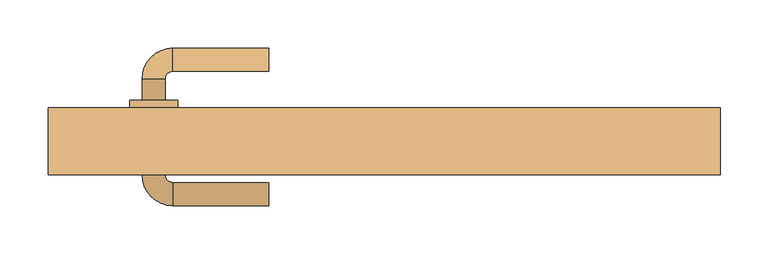
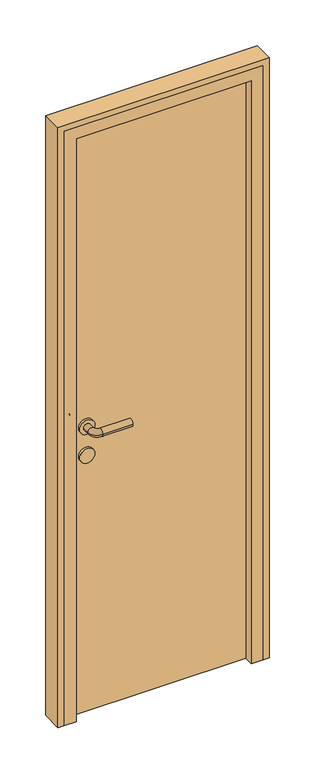
"""IFC4 building model written with IfcOpenShell, lengths in millimetres: door geometry."""

from ifc_helpers import new_model, si_unit, point, frame, frame_2d, origin, origin_with_axes, place, context, project, spatial, polyline, circle_curve, ellipse_curve, trimmed, segment, composite_curve, outline, extrude, faceted_brep, source, transform, mapped, element, save
from ifc_brep_helpers import plane_surface, cylinder_surface, revolved_surface, advanced_brep


def door_a8712913(model_context):
    return source(origin(), model_context, "Body", "SolidModel", [
        advanced_brep(
        [(-120.0, 17.0, 1000.0), (-120.0, -7.0, 1000.0), (-220.0, 17.0, 1000.0), (-220.0, -7.0, 1000.0), (-252.0, -15.0, 1000.0), (-228.0, -15.0, 1000.0), (-252.0, -37.0, 1000.0), (-228.0, -37.0, 1000.0), (-252.0, -115.0, 1000.0), (-228.0, -115.0, 1000.0), (-228.0, -93.0, 1000.0), (-252.0, -93.0, 1000.0), (-220.0, -147.0, 1000.0), (-220.0, -123.0, 1000.0), (-120.0, -147.0, 1000.0), (-120.0, -123.0, 1000.0), (-265.0, -37.0, 1000.0), (-215.0, -37.0, 1000.0), (-265.0, -93.0, 1000.0), (-215.0, -93.0, 1000.0)],
        [
            (0, 1, circle_curve(frame((-120.0, 5.0, 1000.0), z_axis=(1.0, 0.0, 0.0), x_axis=(0.0, -1.0, 0.0)), 12.0)),
            (1, 0, circle_curve(frame((-120.0, 5.0, 1000.0), z_axis=(1.0, 0.0, 0.0), x_axis=(0.0, -1.0, 0.0)), 12.0)),
            (0, 2),
            (2, 3, circle_curve(frame((-220.0, 5.0, 1000.0), z_axis=(1.0, 0.0, 0.0), x_axis=(0.0, -1.0, 0.0)), 12.0)),
            (3, 1),
            (3, 2, circle_curve(frame((-220.0, 5.0, 1000.0), z_axis=(1.0, 0.0, 0.0), x_axis=(0.0, -1.0, 0.0)), 12.0)),
            (2, 4, circle_curve(frame((-220.0, -15.0, 1000.0), z_axis=(0.0, 0.0, 1.0), x_axis=(0.0, 1.0, 0.0)), 32.0)),
            (4, 5, circle_curve(frame((-240.0, -15.0, 1000.0), z_axis=(0.0, 1.0, 0.0), x_axis=(1.0, 0.0, 0.0)), 12.0)),
            (5, 3, circle_curve(frame((-220.0, -15.0, 1000.0), z_axis=(0.0, 0.0, -1.0), x_axis=(0.0, 1.0, 0.0)), 8.0)),
            (5, 4, circle_curve(frame((-240.0, -15.0, 1000.0), z_axis=(0.0, 1.0, 0.0), x_axis=(1.0, 0.0, 0.0)), 12.0)),
            (4, 6),
            (6, 7, circle_curve(frame((-240.0, -37.0, 1000.0), z_axis=(0.0, 1.0, 0.0), x_axis=(1.0, 0.0, 0.0)), 12.0)),
            (7, 5),
            (8, 9, circle_curve(frame((-240.0, -115.0, 1000.0), z_axis=(0.0, 1.0, 0.0), x_axis=(1.0, 0.0, 0.0)), 12.0)),
            (9, 10),
            (10, 11, circle_curve(frame((-240.0, -93.0, 1000.0), z_axis=(0.0, -1.0, 0.0), x_axis=(1.0, 0.0, 0.0)), 12.0)),
            (11, 8),
            (7, 6, circle_curve(frame((-240.0, -37.0, 1000.0), z_axis=(0.0, 1.0, 0.0), x_axis=(1.0, 0.0, 0.0)), 12.0)),
            (9, 8, circle_curve(frame((-240.0, -115.0, 1000.0), z_axis=(0.0, 1.0, 0.0), x_axis=(1.0, 0.0, 0.0)), 12.0)),
            (11, 10, circle_curve(frame((-240.0, -93.0, 1000.0), z_axis=(0.0, -1.0, 0.0), x_axis=(1.0, 0.0, 0.0)), 12.0)),
            (8, 12, circle_curve(frame((-220.0, -115.0, 1000.0), z_axis=(0.0, 0.0, 1.0), x_axis=(-1.0, 0.0, 0.0)), 32.0)),
            (12, 13, circle_curve(frame((-220.0, -135.0, 1000.0), z_axis=(-1.0, 0.0, 0.0), x_axis=(0.0, 1.0, 0.0)), 12.0)),
            (13, 9, circle_curve(frame((-220.0, -115.0, 1000.0), z_axis=(0.0, 0.0, -1.0), x_axis=(-1.0, 0.0, 0.0)), 8.0)),
            (13, 12, circle_curve(frame((-220.0, -135.0, 1000.0), z_axis=(-1.0, 0.0, 0.0), x_axis=(0.0, 1.0, 0.0)), 12.0)),
            (14, 15, circle_curve(frame((-120.0, -135.0, 1000.0), z_axis=(1.0, 0.0, 0.0), x_axis=(0.0, 1.0, 0.0)), 12.0)),
            (15, 14, circle_curve(frame((-120.0, -135.0, 1000.0), z_axis=(1.0, 0.0, 0.0), x_axis=(0.0, 1.0, 0.0)), 12.0)),
            (12, 14),
            (15, 13),
            (16, 17, circle_curve(frame((-240.0, -37.0, 1000.0), z_axis=(0.0, 1.0, 0.0), x_axis=(1.0, 0.0, 0.0)), 25.0)),
            (17, 16, circle_curve(frame((-240.0, -37.0, 1000.0), z_axis=(0.0, 1.0, 0.0), x_axis=(1.0, 0.0, 0.0)), 25.0)),
            (18, 19, circle_curve(frame((-240.0, -93.0, 1000.0), z_axis=(0.0, -1.0, 0.0), x_axis=(1.0, 0.0, 0.0)), 25.0)),
            (19, 18, circle_curve(frame((-240.0, -93.0, 1000.0), z_axis=(0.0, -1.0, 0.0), x_axis=(1.0, 0.0, 0.0)), 25.0)),
            (17, 19),
            (18, 16),
        ],
        [
            plane_surface(frame((-120.0, 5.0, 1000.0), z_axis=(1.0, 0.0, 0.0), x_axis=(0.0, 0.0, 1.0))),
            cylinder_surface(frame((-120.0, 5.0, 1000.0), z_axis=(1.0, 0.0, 0.0), x_axis=(0.0, -1.0, 0.0)), 12.0),
            revolved_surface(trimmed(ellipse_curve(frame((-220.0, 5.0, 1000.0), z_axis=(1.0, 0.0, 0.0), x_axis=(0.0, -1.0, 0.0)), 12.0, 12.0), [point((-220.0, 17.0, 1000.0))], [point((-220.0, -7.0, 1000.0))], True, "CARTESIAN"), (-220.0, -15.0, 1000.0), (0.0, 0.0, 1.0)),
            revolved_surface(trimmed(ellipse_curve(frame((-220.0, 5.0, 1000.0), z_axis=(1.0, 0.0, 0.0), x_axis=(0.0, -1.0, 0.0)), 12.0, 12.0), [point((-220.0, -7.0, 1000.0))], [point((-220.0, 17.0, 1000.0))], True, "CARTESIAN"), (-220.0, -15.0, 1000.0), (0.0, 0.0, 1.0)),
            cylinder_surface(frame((-240.0, -15.0, 1000.0), z_axis=(0.0, 1.0, 0.0), x_axis=(1.0, 0.0, 0.0)), 12.0),
            revolved_surface(trimmed(ellipse_curve(frame((-240.0, -115.0, 1000.0), z_axis=(0.0, 1.0, 0.0), x_axis=(1.0, 0.0, 0.0)), 12.0, 12.0), [point((-252.0, -115.0, 1000.0))], [point((-228.0, -115.0, 1000.0))], True, "CARTESIAN"), (-220.0, -115.0, 1000.0), (0.0, 0.0, 1.0)),
            revolved_surface(trimmed(ellipse_curve(frame((-240.0, -115.0, 1000.0), z_axis=(0.0, 1.0, 0.0), x_axis=(1.0, 0.0, 0.0)), 12.0, 12.0), [point((-228.0, -115.0, 1000.0))], [point((-252.0, -115.0, 1000.0))], True, "CARTESIAN"), (-220.0, -115.0, 1000.0), (0.0, 0.0, 1.0)),
            plane_surface(frame((-120.0, -135.0, 1000.0), z_axis=(1.0, 0.0, 0.0), x_axis=(0.0, 0.0, 1.0))),
            cylinder_surface(frame((-220.0, -135.0, 1000.0), z_axis=(-1.0, 0.0, 0.0), x_axis=(0.0, 1.0, 0.0)), 12.0),
            plane_surface(frame((-215.0, -37.0, 1000.0), z_axis=(0.0, 1.0, 0.0), x_axis=(0.0, 0.0, -1.0))),
            plane_surface(frame((-215.0, -93.0, 1000.0), z_axis=(0.0, -1.0, 0.0), x_axis=(0.0, 0.0, 1.0))),
            cylinder_surface(frame((-240.0, -37.0, 1000.0), z_axis=(0.0, -1.0, 0.0), x_axis=(1.0, 0.0, 0.0)), 25.0),
        ],
        [
            (0, [[1, 2]]),
            (1, [[-1, 3, 4, 5]]),
            (1, [[-2, -5, 6, -3]]),
            (2, [[-4, 7, 8, 9]]),
            (3, [[-6, -9, 10, -7]]),
            (4, [[-8, 11, 12, 13]]),
            (4, [[14, 15, 16, 17]]),
            (4, [[-10, -13, 18, -11]]),
            (4, [[19, -17, 20, -15]]),
            (5, [[-14, 21, 22, 23]]),
            (6, [[-19, -23, 24, -21]]),
            (7, [[25, 26]]),
            (8, [[-22, 27, -26, 28]]),
            (8, [[-24, -28, -25, -27]]),
            (9, [[29, 30], [-12, -18]]),
            (10, [[31, 32], [-16, -20]]),
            (11, [[-30, 33, -31, 34]]),
            (11, [[-29, -34, -32, -33]]),
        ],
    ),
        extrude(outline(composite_curve([segment(trimmed(circle_curve(frame_2d((900.0, -240.0)), 25.0), [point((900.0, -265.0))], [point((900.0, -215.0))], False, "CARTESIAN"), True, "CONTINUOUS"), segment(trimmed(circle_curve(frame_2d((900.0, -240.0)), 25.0), [point((900.0, -215.0))], [point((900.0, -265.0))], False, "CARTESIAN"), True, "CONTINUOUS")], self_intersect=False)), frame((0.0, -93.0, 0.0), z_axis=(0.0, 1.0, 0.0), x_axis=(0.0, 0.0, 1.0)), (0.0, 0.0, 1.0), 56.0),
        extrude(outline(polyline([(300.0, -85.0), (-300.0, -85.0), (-300.0, -45.0), (300.0, -45.0), (300.0, -85.0)])), origin_with_axes(), (0.0, 0.0, 1.0), 2050.0),
        extrude(outline(polyline([(0.0, 350.0), (2100.0, 350.0), (2100.0, -350.0), (0.0, -350.0), (0.0, -330.0), (2080.0, -330.0), (2080.0, 330.0), (0.0, 330.0), (0.0, 350.0)])), frame((0.0, -115.0, 0.0), z_axis=(0.0, 1.0, 0.0), x_axis=(0.0, 0.0, 1.0)), (0.0, 0.0, 1.0), 70.0),
        faceted_brep([(-330.0, -115.0, 0.0), (-330.0, -45.0, 0.0), (-300.0, -45.0, 0.0), (-300.0, -85.0, 0.0), (-290.0, -85.0, 0.0), (-290.0, -115.0, 0.0), (-330.0, -115.0, 2080.0), (-330.0, -45.0, 2080.0), (330.0, -45.0, 2080.0), (330.0, -45.0, 0.0), (300.0, -45.0, 0.0), (300.0, -45.0, 2050.0), (-300.0, -45.0, 2050.0), (-300.0, -85.0, 2050.0), (300.0, -85.0, 2050.0), (300.0, -85.0, 0.0), (290.0, -85.0, 0.0), (290.0, -85.0, 2040.0), (-290.0, -85.0, 2040.0), (-290.0, -115.0, 2040.0), (290.0, -115.0, 2040.0), (290.0, -115.0, 0.0), (330.0, -115.0, 0.0), (330.0, -115.0, 2080.0)], [[[0, 1, 2, 3, 4, 5]], [[1, 0, 6, 7]], [[2, 1, 7, 8, 9, 10, 11, 12]], [[3, 2, 12, 13]], [[4, 3, 13, 14, 15, 16, 17, 18]], [[5, 4, 18, 19]], [[0, 5, 19, 20, 21, 22, 23, 6]], [[7, 6, 23, 8]], [[13, 12, 11, 14]], [[19, 18, 17, 20]], [[22, 21, 16, 15, 10, 9]], [[8, 23, 22, 9]], [[14, 11, 10, 15]], [[20, 17, 16, 21]]]),
    ])


if __name__ == "__main__":
    model = new_model("IFC4")
    model_context = context("Model", 3, world=origin())
    ifc_project = project(units=[si_unit("LENGTHUNIT", "METRE", prefix="MILLI")], contexts=[model_context])
    site = spatial("IfcSite", under=ifc_project)
    building = spatial("IfcBuilding", under=site)
    placement = place(None, origin())
    door_shape = door_a8712913(model_context)
    element("IfcDoor", 1, at=placement, inside=building, context=model_context, shape_type="MappedRepresentation", body=[
        mapped(door_shape, transform((0.0, 0.0, 0.0), x_axis=(1.0, 0.0, 0.0), y_axis=(0.0, 1.0, 0.0), z_axis=(0.0, 0.0, 1.0))),
    ])
    save(model, "model.ifc")
